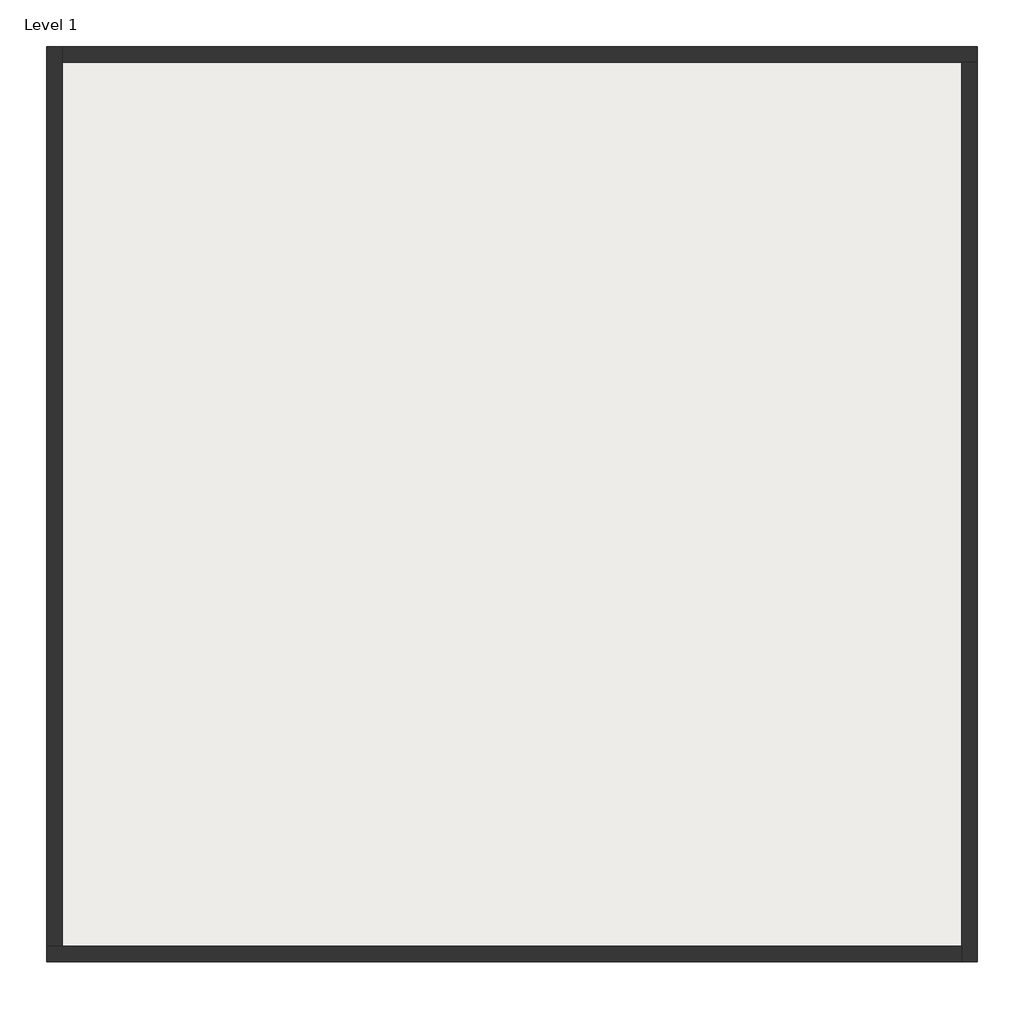
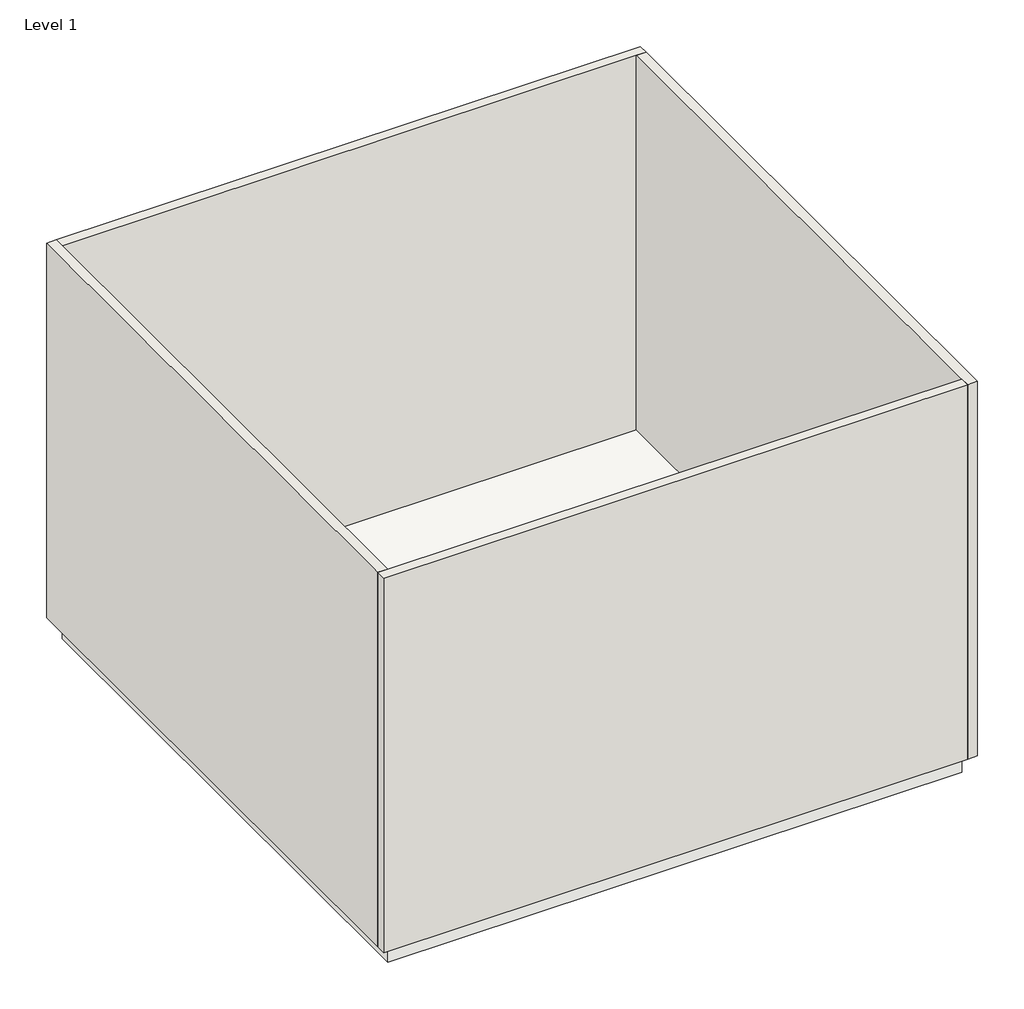
# One storey: 4 walls, 1 slab.
"""IFC4 building model written with IfcOpenShell, lengths in millimetres."""

from ifc_helpers import new_model, si_unit, frame, origin, place, context, project, spatial, polyline, outline, extrude, faceted_brep, element, save

model = new_model("IFC4")

# Units and contexts
model_context = context("Model", 3, world=origin())
ifc_project = project(units=[si_unit("LENGTHUNIT", "METRE", prefix="MILLI")], contexts=[model_context])

# Site, building, storey
site = spatial("IfcSite", under=ifc_project)
building = spatial("IfcBuilding", under=site)
storey = spatial("IfcBuildingStorey", under=building, Name="Level 1", Elevation=0.0)

# Slab
placement = place(None, origin())
element("IfcSlab", 1, ObjectType="Generic Floor - 400mm", at=placement, inside=storey, context=model_context, shape_type="SweptSolid", body=[
    extrude(outline(polyline([(-5800.0, 5700.0), (5800.0, 5700.0), (5800.0, -5700.0), (-5800.0, -5700.0), (-5800.0, 5700.0)])), frame((0.0, 0.0, -400.0), z_axis=(0.0, 0.0, 1.0), x_axis=(1.0, 0.0, 0.0)), (0.0, 0.0, 1.0), 400.0),
])

# Walls
element("IfcWall", 2, ObjectType="Generic - 200mm", at=placement, inside=storey, context=model_context, shape_type="Brep", body=[
    faceted_brep([(6000.0, 5900.0, 0.0), (-5800.0, 5900.0, 0.0), (-5800.0, 5900.0, 8000.0), (6000.0, 5900.0, 8000.0), (6000.0, 5700.0, 0.0), (6000.0, 5700.0, 8000.0), (5800.0, 5700.0, 8000.0), (-5800.0, 5700.0, 8000.0), (-5800.0, 5700.0, 0.0), (5800.0, 5700.0, 0.0)], [[[0, 1, 2, 3]], [[4, 5, 6, 7, 8, 9]], [[1, 0, 4, 9, 8]], [[3, 2, 7, 6, 5]], [[0, 3, 5, 4]], [[2, 1, 8, 7]]]),
])
element("IfcWall", 3, ObjectType="Generic - 200mm", at=placement, inside=storey, context=model_context, shape_type="Brep", body=[
    faceted_brep([(6000.0, -5900.0, 0.0), (6000.0, 5700.0, 0.0), (6000.0, 5700.0, 8000.0), (6000.0, -5900.0, 8000.0), (5800.0, -5900.0, 0.0), (5800.0, -5900.0, 8000.0), (5800.0, -5700.0, 8000.0), (5800.0, 5700.0, 8000.0), (5800.0, 5700.0, 0.0), (5800.0, -5700.0, 0.0)], [[[0, 1, 2, 3]], [[4, 5, 6, 7, 8, 9]], [[1, 0, 4, 9, 8]], [[3, 2, 7, 6, 5]], [[0, 3, 5, 4]], [[2, 1, 8, 7]]]),
])
element("IfcWall", 4, ObjectType="Generic - 200mm", at=placement, inside=storey, context=model_context, shape_type="Brep", body=[
    faceted_brep([(-6000.0, -5900.0, 0.0), (5800.0, -5900.0, 0.0), (5800.0, -5900.0, 8000.0), (-6000.0, -5900.0, 8000.0), (-6000.0, -5700.0, 0.0), (-6000.0, -5700.0, 8000.0), (-5800.0, -5700.0, 8000.0), (5800.0, -5700.0, 8000.0), (5800.0, -5700.0, 0.0), (-5800.0, -5700.0, 0.0)], [[[0, 1, 2, 3]], [[4, 5, 6, 7, 8, 9]], [[1, 0, 4, 9, 8]], [[3, 2, 7, 6, 5]], [[0, 3, 5, 4]], [[2, 1, 8, 7]]]),
])
element("IfcWall", 5, ObjectType="Generic - 200mm", at=placement, inside=storey, context=model_context, shape_type="Brep", body=[
    faceted_brep([(-6000.0, 5900.0, 0.0), (-6000.0, -5700.0, 0.0), (-6000.0, -5700.0, 8000.0), (-6000.0, 5900.0, 8000.0), (-5800.0, 5900.0, 0.0), (-5800.0, 5900.0, 8000.0), (-5800.0, 5700.0, 8000.0), (-5800.0, -5700.0, 8000.0), (-5800.0, -5700.0, 0.0), (-5800.0, 5700.0, 0.0)], [[[0, 1, 2, 3]], [[4, 5, 6, 7, 8, 9]], [[1, 0, 4, 9, 8]], [[3, 2, 7, 6, 5]], [[0, 3, 5, 4]], [[2, 1, 8, 7]]]),
])

save(model, "model.ifc")
